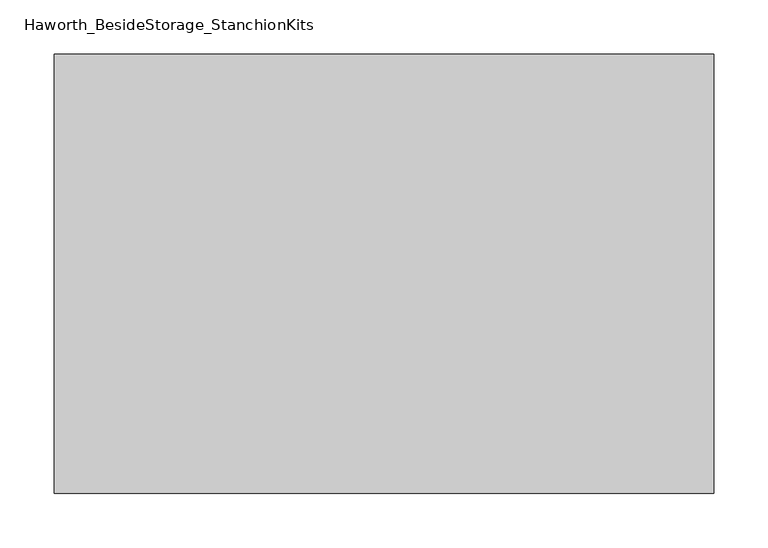
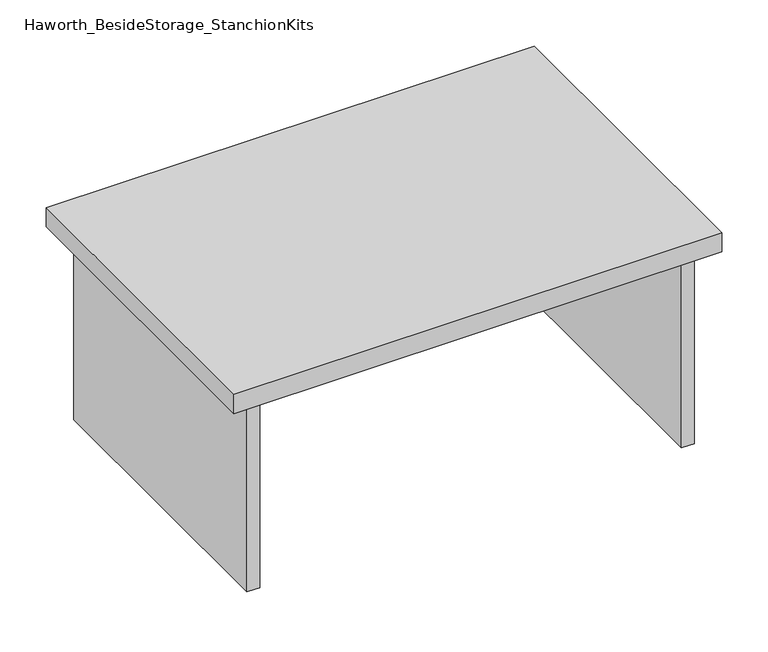
"""IFC4 building model written with IfcOpenShell, lengths in millimetres: furniture geometry, Haworth_BesideStorage_StanchionKits."""

import ifcopenshell
import ifcopenshell.guid

model = None  # the IFC model being written
_history = None  # IfcOwnerHistory: only IFC2X3 demands one
_inside = {}  # id of a spatial element -> (the spatial element, [elements in it])
_under = {}  # id of a project, library or spatial element -> (it, [spatial elements below it])
_declared = {}  # id of a project -> (the project, [libraries it declares])
_typed = {}  # id of a type object -> (the type object, [elements of that type])
_made_of = {}  # id of a material, layer set ... -> (it, [elements and type objects made of it])


def new_model(schema):
    """Start an empty IFC model of exactly this schema.

    Asked for "IFC4X3", IfcOpenShell would pick the latest addendum, in which some entities
    have other attributes; the version numbers below select the first issue.
    IFC2X3 requires an IfcOwnerHistory on every rooted entity: one is made here for all.
    """
    global model, _history
    if schema == "IFC4X3":
        model = ifcopenshell.file(schema_version=(4, 3, 0, 0))
    else:
        model = ifcopenshell.file(schema=schema)
    _inside.clear()
    _under.clear()
    _declared.clear()
    _typed.clear()
    _made_of.clear()
    _history = None
    if model.schema == "IFC2X3":
        org = make("IfcOrganization", Name="unknown")
        user = make(
            "IfcPersonAndOrganization",
            ThePerson=make("IfcPerson", FamilyName="unknown"),
            TheOrganization=org,
        )
        app = make(
            "IfcApplication",
            ApplicationDeveloper=org,
            Version="unknown",
            ApplicationFullName="unknown",
            ApplicationIdentifier="unknown",
        )
        _history = make(
            "IfcOwnerHistory",
            OwningUser=user,
            OwningApplication=app,
            ChangeAction="ADDED",
            CreationDate=0,
        )
    return model


def make(cls, **values):
    """One entity of the class cls with the attributes given. An attribute that is None is left unset."""
    return model.create_entity(
        cls, **{name: value for name, value in values.items() if value is not None}
    )


def rooted(cls, **values):
    """An entity with a GlobalId (a new one), such as an element, a storey or a relation."""
    return make(cls, GlobalId=ifcopenshell.guid.new(), OwnerHistory=_history, **values)


def si_unit(unit_type, name, prefix=None):
    """IfcSIUnit, for example si_unit("LENGTHUNIT", "METRE", prefix="MILLI")."""
    return make("IfcSIUnit", UnitType=unit_type, Prefix=prefix, Name=name)


def assignment(units):
    """IfcUnitAssignment: the units of a project."""
    return None if units is None else make("IfcUnitAssignment", Units=units)


def point(xyz):
    """IfcCartesianPoint."""
    return None if xyz is None else make("IfcCartesianPoint", Coordinates=xyz)


def direction(xyz):
    """IfcDirection."""
    return None if xyz is None else make("IfcDirection", DirectionRatios=xyz)


def frame(location, z_axis=None, x_axis=None):
    """IfcAxis2Placement3D, a coordinate frame: its origin and axes. An axis left out is left unset."""
    return make(
        "IfcAxis2Placement3D",
        Location=point(location),
        Axis=direction(z_axis),
        RefDirection=direction(x_axis),
    )


def origin():
    """The frame at (0, 0, 0) with its axes left unset."""
    return frame((0.0, 0.0, 0.0))


def place(relative_to, where):
    """IfcLocalPlacement: puts the frame where relative to a parent placement (None: the world)."""
    return make(
        "IfcLocalPlacement", PlacementRelTo=relative_to, RelativePlacement=where
    )


def context(
    kind, dimensions, precision=None, world=None, true_north=None, identifier=None
):
    """IfcGeometricRepresentationContext, for example the 3D "Model" context."""
    return make(
        "IfcGeometricRepresentationContext",
        ContextIdentifier=identifier,
        ContextType=kind,
        CoordinateSpaceDimension=dimensions,
        Precision=precision,
        WorldCoordinateSystem=world,
        TrueNorth=true_north,
    )


def project(units=None, contexts=None):
    """IfcProject with its units and contexts."""
    return rooted(
        "IfcProject",
        Name="project",
        RepresentationContexts=contexts,
        UnitsInContext=assignment(units),
    )


def spatial(cls, under=None, at=None, **own):
    """A site, building, storey or space (cls), placed at a placement, below another one or the project."""
    s = rooted(cls, ObjectPlacement=at, **own)
    if under is not None:
        _under.setdefault(under.id(), (under, []))[1].append(s)
    return s


def polyline(points):
    """IfcPolyline through the points."""
    return make("IfcPolyline", Points=[point(p) for p in points])


def outline(outer, holes=None, kind="AREA"):
    """IfcArbitraryClosedProfileDef: a profile drawn as a closed curve; with holes, ...WithVoids."""
    if holes is None:
        return make("IfcArbitraryClosedProfileDef", ProfileType=kind, OuterCurve=outer)
    return make(
        "IfcArbitraryProfileDefWithVoids",
        ProfileType=kind,
        OuterCurve=outer,
        InnerCurves=holes,
    )


def extrude(swept, where, along, depth):
    """IfcExtrudedAreaSolid: the profile swept, set in the frame where, extruded along a direction by depth."""
    return make(
        "IfcExtrudedAreaSolid",
        SweptArea=swept,
        Position=where,
        ExtrudedDirection=direction(along),
        Depth=depth,
    )


def shape(context_of_items, identifier, shape_type, items):
    """IfcShapeRepresentation: the items that make up one representation, for example the "Body"."""
    return make(
        "IfcShapeRepresentation",
        ContextOfItems=context_of_items,
        RepresentationIdentifier=identifier,
        RepresentationType=shape_type,
        Items=items,
    )


def source(mapping_origin, context_of_items, identifier, shape_type, items):
    """IfcRepresentationMap: a shape defined once, which mapped items show again and again."""
    return make(
        "IfcRepresentationMap",
        MappingOrigin=mapping_origin,
        MappedRepresentation=shape(context_of_items, identifier, shape_type, items),
    )


def transform(
    local_origin,
    x_axis=None,
    y_axis=None,
    z_axis=None,
    scale=None,
    scale2=None,
    scale3=None,
    uniform=True,
):
    """IfcCartesianTransformationOperator3D, or its non-uniform kind. x_axis, y_axis, z_axis: its Axis1, 2, 3."""
    if uniform:
        return make(
            "IfcCartesianTransformationOperator3D",
            Axis1=direction(x_axis),
            Axis2=direction(y_axis),
            LocalOrigin=point(local_origin),
            Scale=scale,
            Axis3=direction(z_axis),
        )
    return make(
        "IfcCartesianTransformationOperator3DnonUniform",
        Axis1=direction(x_axis),
        Axis2=direction(y_axis),
        LocalOrigin=point(local_origin),
        Scale=scale,
        Axis3=direction(z_axis),
        Scale2=scale2,
        Scale3=scale3,
    )


def mapped(mapping_source, mapping_target):
    """IfcMappedItem: shows the shape of a source again, moved by a transform."""
    return make(
        "IfcMappedItem", MappingSource=mapping_source, MappingTarget=mapping_target
    )


def made_of(thing, what):
    """Note that an element or type object is made of a material, layer set ...; save() writes the relation."""
    if what is not None:
        _made_of.setdefault(what.id(), (what, []))[1].append(thing)
    return thing


def element(
    cls,
    number,
    at=None,
    inside=None,
    cuts=None,
    type_object=None,
    material=None,
    context=None,
    identifier="Body",
    shape_type=None,
    held_by="IfcProductDefinitionShape",
    body=None,
    shapes=None,
    **own,
):
    """One element of the class cls, such as IfcWall. Its Tag is "e" and its number.

    at: its placement. inside: the storey or other place that contains it. cuts: it is an
    opening in that element (IfcRelVoidsElement). A single representation is given by context,
    identifier, shape_type and body (its items); several are given by shapes. held_by: the class
    of the entity that holds the representations. save() writes the other relations.
    """
    e = rooted(cls, Tag="e%d" % number, ObjectPlacement=at, **own)
    if body is not None:
        shapes = [shape(context, identifier, shape_type, body)]
    if shapes is not None:
        e.Representation = make(held_by, Representations=shapes)
    if inside is not None:
        _inside.setdefault(inside.id(), (inside, []))[1].append(e)
    if cuts is not None:
        rooted(
            "IfcRelVoidsElement", RelatingBuildingElement=cuts, RelatedOpeningElement=e
        )
    if type_object is not None:
        _typed.setdefault(type_object.id(), (type_object, []))[1].append(e)
    return made_of(e, material)


def aggregate(whole, parts):
    """IfcRelAggregates: a whole, such as a stair, and the parts it consists of."""
    return rooted("IfcRelAggregates", RelatingObject=whole, RelatedObjects=parts)


def save(model, path):
    """Write the relations noted so far, then the file.

    IfcRelAggregates (storeys below a building ...), IfcRelContainedInSpatialStructure (elements
    in a storey), IfcRelDefinesByType, IfcRelAssociatesMaterial and IfcRelDeclares: one each for
    every whole, place, type object, material and project.
    """
    for whole, parts in _under.values():
        aggregate(whole, parts)
    for where, things in _inside.values():
        rooted(
            "IfcRelContainedInSpatialStructure",
            RelatedElements=things,
            RelatingStructure=where,
        )
    for kind, things in _typed.values():
        rooted("IfcRelDefinesByType", RelatedObjects=things, RelatingType=kind)
    for what, things in _made_of.values():
        rooted("IfcRelAssociatesMaterial", RelatedObjects=things, RelatingMaterial=what)
    for by, libraries in _declared.values():
        rooted("IfcRelDeclares", RelatingContext=by, RelatedDefinitions=libraries)
    model.write(path)


def haworth_besidestorage_stanchionkits_b1a6dd2a(model_context):
    return source(origin(), model_context, "Body", "SweptSolid", [
        extrude(outline(polyline([(466.725, 0.0), (466.725, -406.4), (-142.875, -406.4), (-142.875, 0.0), (466.725, 0.0)])), frame((0.0, 0.0, 685.8), z_axis=(0.0, 0.0, 1.0), x_axis=(1.0, 0.0, 0.0)), (0.0, 0.0, 1.0), 25.4),
        extrude(outline(polyline([(161.925, -76.2), (425.45, -76.2), (425.45, -92.075), (161.925, -92.075), (161.925, -76.2)])), frame((0.0, 0.0, 431.8), z_axis=(0.0, 0.0, 1.0), x_axis=(1.0, 0.0, 0.0)), (0.0, 0.0, 1.0), 254.0),
        extrude(outline(polyline([(441.325, -390.525), (425.45, -390.525), (425.45, -15.875), (441.325, -15.875), (441.325, -390.525)])), frame((0.0, 0.0, 431.8), z_axis=(0.0, 0.0, 1.0), x_axis=(1.0, 0.0, 0.0)), (0.0, 0.0, 1.0), 254.0),
        extrude(outline(polyline([(-101.6, -390.525), (-117.475, -390.525), (-117.475, -15.875), (-101.6, -15.875), (-101.6, -390.525)])), frame((0.0, 0.0, 431.8), z_axis=(0.0, 0.0, 1.0), x_axis=(1.0, 0.0, 0.0)), (0.0, 0.0, 1.0), 254.0),
    ])


if __name__ == "__main__":
    model = new_model("IFC4")
    model_context = context("Model", 3, world=origin())
    ifc_project = project(units=[si_unit("LENGTHUNIT", "METRE", prefix="MILLI")], contexts=[model_context])
    site = spatial("IfcSite", under=ifc_project)
    building = spatial("IfcBuilding", under=site)
    placement = place(None, origin())
    haworth_besidestorage_stanchionkits_shape = haworth_besidestorage_stanchionkits_b1a6dd2a(model_context)
    element("IfcFurniture", 1, ObjectType="Haworth_BesideStorage_StanchionKits", at=placement, inside=building, context=model_context, shape_type="MappedRepresentation", body=[
        mapped(haworth_besidestorage_stanchionkits_shape, transform((0.0, 0.0, 0.0), x_axis=(1.0, 0.0, 0.0), y_axis=(0.0, 1.0, 0.0), z_axis=(0.0, 0.0, 1.0))),
    ])
    save(model, "model.ifc")
